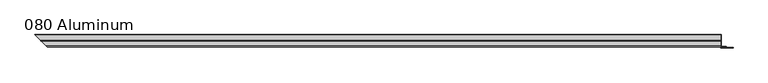
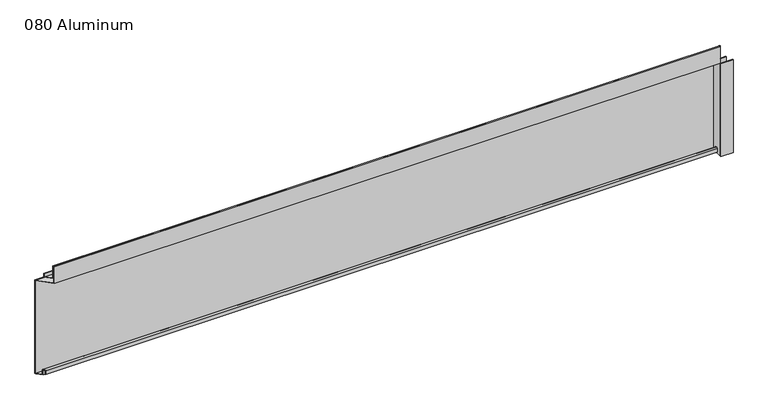
"""IFC4 building model written with IfcOpenShell, lengths in millimetres: plate geometry, 080 Aluminum."""

from ifc_helpers import new_model, si_unit, frame, origin, origin_with_axes, place, context, project, spatial, polyline, circle_curve, ellipse_curve, outline, extrude, source, transform, mapped, element, save
from ifc_brep_helpers import plane_surface, cylinder_surface, revolved_surface, advanced_brep


def plate_080_aluminum_a717fe49(model_context):
    return source(origin(), model_context, "Body", "SolidModel", [
        advanced_brep(
        [(906.1660093, 16.6765477, 13.1458337), (906.1660093, 16.6765477, 2.786437), (906.1660093, 17.9464915, 2.786437), (906.1660093, 17.9464915, 13.1323356), (906.1660093, 21.7564743, 13.124237), (906.1660093, 21.7564743, 0.0), (906.1660093, 34.7980002, 0.0), (906.1660093, 34.7980002, 1.2693678), (906.1660093, 23.0264743, 1.2693678), (906.1660093, 23.0264743, 13.124237), (-936.8125571, 16.6765477, 13.1458337), (-936.8125571, 16.6765477, 2.786437), (-938.0825008, 17.9464915, 2.786437), (-938.0825008, 17.9464915, 13.1323356), (-941.8924836, 21.7564743, 13.124237), (-941.8924836, 21.7564743, 0.0), (-954.9340093, 34.798, 0.0), (-954.9340095, 34.7980002, 1.2693678), (-943.1624836, 23.0264743, 1.2693678), (-943.1624836, 23.0264743, 13.124237)],
        [
            (0, 1),
            (1, 2),
            (2, 3),
            (3, 4, circle_curve(frame((906.1660093, 19.8514743, 13.124237), z_axis=(-1.0, 0.0, 0.0), x_axis=(0.0, 0.0, -1.0)), 1.905)),
            (4, 5),
            (5, 6),
            (6, 7),
            (7, 8),
            (8, 9),
            (9, 0, circle_curve(frame((906.1660093, 19.8514743, 13.124237), z_axis=(1.0, 0.0, 0.0), x_axis=(0.0, 0.0, -1.0)), 3.175)),
            (0, 10),
            (10, 11),
            (11, 1),
            (11, 12),
            (12, 2),
            (12, 13),
            (13, 3),
            (13, 14, ellipse_curve(frame((-939.9874836, 19.8514743, 13.124237), z_axis=(-0.7071067811865467, -0.7071067811865485, 0.0), x_axis=(0.7071067811865482, -0.7071067811865468, 0.0)), 2.6940768, 1.905)),
            (14, 4),
            (14, 15),
            (15, 5),
            (15, 16),
            (16, 6),
            (16, 17),
            (17, 7),
            (17, 18),
            (18, 8),
            (18, 19),
            (19, 9),
            (19, 10, ellipse_curve(frame((-939.9874836, 19.8514743, 13.124237), z_axis=(0.7071067811865467, 0.7071067811865485, 0.0), x_axis=(-0.7071067811865482, 0.7071067811865468, 0.0)), 4.4901281, 3.175)),
        ],
        [
            plane_surface(frame((906.1660093, 36.068, 0.0), z_axis=(1.0, 0.0, 0.0), x_axis=(0.0, 0.0, 1.0))),
            plane_surface(frame((-954.9340093, 16.6765477, 13.1458337), z_axis=(0.0, -1.0, 0.0), x_axis=(1.0, 0.0, 0.0))),
            plane_surface(frame((-954.9340093, 16.6765477, 2.786437), z_axis=(0.0, 0.0, -1.0), x_axis=(1.0, 0.0, 0.0))),
            plane_surface(frame((-954.9340093, 17.9464915, 2.786437), z_axis=(0.0, 1.0, 0.0), x_axis=(1.0, 0.0, 0.0))),
            revolved_surface(polyline([(906.1660093000002, 19.8514743, 11.219237000000001), (-941.8924836, 19.8514743, 11.219237000000001)]), (-954.9340093, 19.8514743, 13.124237), (1.0, 0.0, 0.0)),
            plane_surface(frame((-954.9340093, 21.7564743, 13.124237), z_axis=(0.0, -1.0, 0.0), x_axis=(1.0, 0.0, 0.0))),
            plane_surface(frame((-954.9340093, 21.7564743, 0.0), z_axis=(0.0, 0.0, -1.0), x_axis=(1.0, 0.0, 0.0))),
            plane_surface(frame((-954.9340093, 34.7980002, 0.0), z_axis=(0.0, 1.0, 0.0), x_axis=(1.0, 0.0, 0.0))),
            plane_surface(frame((-954.9340093, 34.7980002, 1.2693678), z_axis=(0.0, 0.0, 1.0), x_axis=(1.0, 0.0, 0.0))),
            plane_surface(frame((-954.9340093, 23.0264743, 1.2693678), z_axis=(0.0, 1.0, 0.0), x_axis=(1.0, 0.0, 0.0))),
            cylinder_surface(frame((-954.9340093, 19.8514743, 13.124237), z_axis=(-1.0, 0.0, 0.0), x_axis=(0.0, 0.0, -1.0)), 3.175),
            plane_surface(frame((-956.2040093, 36.068, 457.2549971), z_axis=(-0.7071067811865467, -0.7071067811865485, 0.0), x_axis=(0.0, 0.0, -1.0))),
        ],
        [
            (0, [[1, 2, 3, 4, 5, 6, 7, 8, 9, 10]]),
            (1, [[11, 12, 13, -1]]),
            (2, [[-13, 14, 15, -2]]),
            (3, [[-15, 16, 17, -3]]),
            (4, [[-17, 18, 19, -4]]),
            (5, [[-19, 20, 21, -5]]),
            (6, [[-21, 22, 23, -6]]),
            (7, [[-23, 24, 25, -7]]),
            (8, [[-25, 26, 27, -8]]),
            (9, [[-27, 28, 29, -9]]),
            (10, [[-29, 30, -11, -10]]),
            (11, [[-30, -28, -26, -24, -22, -20, -18, -16, -14, -12]]),
        ],
    ),
        advanced_brep(
        [(906.1660093, 2.0574743, 318.5932001), (906.1660093, 2.0574743, 270.13), (906.1660093, 34.7980002, 270.13), (906.1660093, 34.7980002, 271.4000001), (906.1660093, 3.3274743, 271.4000001), (906.1660093, 3.3274743, 318.5932001), (906.1660093, 4.0894742, 318.5932001), (906.1660093, 4.0894742, 284.1), (906.1660093, 20.4864742, 284.1), (906.1660093, 20.4864742, 295.4538), (906.1660093, 19.2164743, 295.4538), (906.1660093, 19.2164743, 285.37), (906.1660093, 5.3594742, 285.37), (906.1660093, 5.3594742, 318.5932001), (-922.1934836, 2.0574743, 318.5932001), (-922.1934836, 2.0574743, 270.13), (-954.9340093, 34.798, 270.13), (-954.9340095, 34.7980002, 271.4000001), (-923.4634836, 3.3274743, 271.4000001), (-923.4634836, 3.3274743, 318.5932001), (-924.2254835, 4.0894742, 318.5932001), (-924.2254835, 4.0894742, 284.1), (-940.6224836, 20.4864742, 284.1), (-940.6224836, 20.4864742, 295.4538), (-939.3524837, 19.2164743, 295.4538), (-939.3524837, 19.2164743, 285.37), (-925.4954835, 5.3594742, 285.37), (-925.4954835, 5.3594742, 318.5932001)],
        [
            (0, 1),
            (1, 2),
            (2, 3),
            (3, 4),
            (4, 5),
            (5, 6, circle_curve(frame((906.1660093, 3.7084742, 318.5932001), z_axis=(-1.0, 0.0, 0.0), x_axis=(0.0, 0.0, -1.0)), 0.3809999)),
            (6, 7),
            (7, 8),
            (8, 9),
            (9, 10),
            (10, 11),
            (11, 12),
            (12, 13),
            (13, 0, circle_curve(frame((906.1660093, 3.7084742, 318.5932001), z_axis=(1.0, 0.0, 0.0), x_axis=(0.0, 0.0, -1.0)), 1.6509999)),
            (0, 14),
            (14, 15),
            (15, 1),
            (15, 16),
            (16, 2),
            (16, 17),
            (17, 3),
            (17, 18),
            (18, 4),
            (18, 19),
            (19, 5),
            (19, 20, ellipse_curve(frame((-923.8444836, 3.7084742, 318.5932001), z_axis=(-0.7071067811865467, -0.7071067811865485, 0.0), x_axis=(0.7071067811865482, -0.7071067811865468, 0.0)), 0.5388153, 0.3809999)),
            (20, 6),
            (20, 21),
            (21, 7),
            (21, 22),
            (22, 8),
            (22, 23),
            (23, 9),
            (23, 24),
            (24, 10),
            (24, 25),
            (25, 11),
            (25, 26),
            (26, 12),
            (26, 27),
            (27, 13),
            (27, 14, ellipse_curve(frame((-923.8444836, 3.7084742, 318.5932001), z_axis=(0.7071067811865467, 0.7071067811865485, 0.0), x_axis=(-0.7071067811865482, 0.7071067811865468, 0.0)), 2.3348665, 1.6509999)),
        ],
        [
            plane_surface(frame((906.1660093, 36.068, 271.4), z_axis=(1.0, 0.0, 0.0), x_axis=(0.0, 0.0, 1.0))),
            plane_surface(frame((-954.9340093, 2.0574743, 318.5932001), z_axis=(0.0, -1.0, 0.0), x_axis=(1.0, 0.0, 0.0))),
            plane_surface(frame((-954.9340093, 2.0574743, 270.13), z_axis=(0.0, 0.0, -1.0), x_axis=(1.0, 0.0, 0.0))),
            plane_surface(frame((-954.9340093, 34.7980002, 270.13), z_axis=(0.0, 1.0, 0.0), x_axis=(1.0, 0.0, 0.0))),
            plane_surface(frame((-954.9340093, 34.7980002, 271.4000001), z_axis=(0.0, 0.0, 1.0), x_axis=(1.0, 0.0, 0.0))),
            plane_surface(frame((-954.9340093, 3.3274743, 271.4000001), z_axis=(0.0, 1.0, 0.0), x_axis=(1.0, 0.0, 0.0))),
            revolved_surface(polyline([(906.1660093000002, 3.7084742, 318.2122002), (-924.225483552437, 3.7084742, 318.2122002)]), (-954.9340093, 3.7084742, 318.5932001), (1.0, 0.0, 0.0)),
            plane_surface(frame((-954.9340093, 4.0894742, 318.5932001), z_axis=(0.0, -1.0, 0.0), x_axis=(1.0, 0.0, 0.0))),
            plane_surface(frame((-954.9340093, 4.0894742, 284.1), z_axis=(0.0, 0.0, -1.0), x_axis=(1.0, 0.0, 0.0))),
            plane_surface(frame((-954.9340093, 20.4864742, 284.1), z_axis=(0.0, 1.0, 0.0), x_axis=(1.0, 0.0, 0.0))),
            plane_surface(frame((-954.9340093, 20.4864742, 295.4538), z_axis=(0.0, 0.0, 1.0), x_axis=(1.0, 0.0, 0.0))),
            plane_surface(frame((-954.9340093, 19.2164743, 295.4538), z_axis=(0.0, -1.0, 0.0), x_axis=(1.0, 0.0, 0.0))),
            plane_surface(frame((-954.9340093, 19.2164743, 285.37), z_axis=(0.0, 0.0, 1.0), x_axis=(1.0, 0.0, 0.0))),
            plane_surface(frame((-954.9340093, 5.3594742, 285.37), z_axis=(0.0, 1.0, 0.0), x_axis=(1.0, 0.0, 0.0))),
            cylinder_surface(frame((-954.9340093, 3.7084742, 318.5932001), z_axis=(-1.0, 0.0, 0.0), x_axis=(0.0, 0.0, -1.0)), 1.6509999),
            plane_surface(frame((-956.2040093, 36.068, 457.2549971), z_axis=(-0.7071067811865467, -0.7071067811865485, 0.0), x_axis=(0.0, 0.0, -1.0))),
        ],
        [
            (0, [[1, 2, 3, 4, 5, 6, 7, 8, 9, 10, 11, 12, 13, 14]]),
            (1, [[15, 16, 17, -1]]),
            (2, [[-17, 18, 19, -2]]),
            (3, [[-19, 20, 21, -3]]),
            (4, [[-21, 22, 23, -4]]),
            (5, [[-23, 24, 25, -5]]),
            (6, [[-25, 26, 27, -6]]),
            (7, [[-27, 28, 29, -7]]),
            (8, [[-29, 30, 31, -8]]),
            (9, [[-31, 32, 33, -9]]),
            (10, [[-33, 34, 35, -10]]),
            (11, [[-35, 36, 37, -11]]),
            (12, [[-37, 38, 39, -12]]),
            (13, [[-39, 40, 41, -13]]),
            (14, [[-41, 42, -15, -14]]),
            (15, [[-42, -40, -38, -36, -34, -32, -30, -28, -26, -24, -22, -20, -18, -16]]),
        ],
    ),
        extrude(outline(polyline([(907.4360093, 34.7980001), (-954.9340094, 34.7980001), (-956.2040093, 36.068), (907.4360093, 36.068), (907.4360093, 34.7980001)])), origin_with_axes(), (0.0, 0.0, 1.0), 271.4),
        extrude(outline(polyline([(907.4360093, 1.2699999), (939.948095, 1.2699999), (939.948095, 0.0), (906.1660094, 0.0), (906.1660094, 34.7980002), (907.4360093, 34.7980002), (907.4360093, 1.2699999)])), origin_with_axes(), (0.0, 0.0, 1.0), 270.13),
        extrude(outline(polyline([(906.1660093, 3.3274743), (921.9140093, 3.3274743), (921.9140093, 2.0574743), (906.1660093, 2.0574743), (906.1660093, 3.3274743)])), origin_with_axes(), (0.0, 0.0, 1.0), 284.1),
    ])


if __name__ == "__main__":
    model = new_model("IFC4")
    model_context = context("Model", 3, world=origin())
    ifc_project = project(units=[si_unit("LENGTHUNIT", "METRE", prefix="MILLI")], contexts=[model_context])
    site = spatial("IfcSite", under=ifc_project)
    building = spatial("IfcBuilding", under=site)
    placement = place(None, origin())
    plate_080_aluminum_shape = plate_080_aluminum_a717fe49(model_context)
    element("IfcPlate", 1, ObjectType="080 Aluminum", at=placement, inside=building, context=model_context, shape_type="MappedRepresentation", body=[
        mapped(plate_080_aluminum_shape, transform((0.0, 0.0, 0.0), x_axis=(1.0, 0.0, 0.0), y_axis=(0.0, 1.0, 0.0), z_axis=(0.0, 0.0, 1.0))),
    ])
    save(model, "model.ifc")
